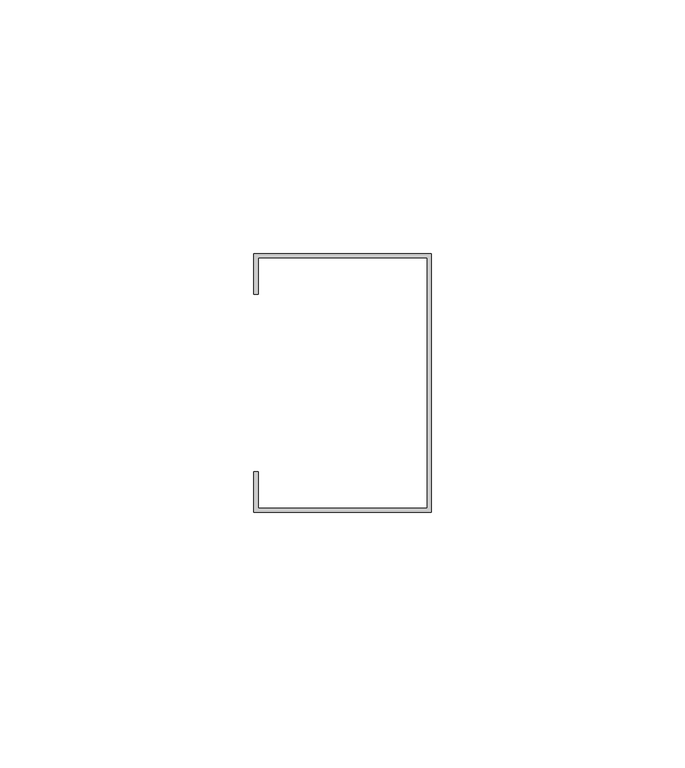
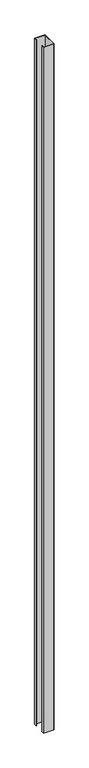
"""IFC4 building model written with IfcOpenShell, lengths in millimetres: proxy geometry."""

from ifc_helpers import new_model, si_unit, origin, origin_with_axes, place, context, project, spatial, polyline, outline, extrude, source, transform, mapped, element, save


def generic_models_65edb014(model_context):
    return source(origin(), model_context, "Body", "SweptSolid", [
        extrude(outline(polyline([(17.5, 25.5), (17.5, -25.5), (-17.5, -25.5), (-17.5, -17.4993684), (-16.6, -17.4993684), (-16.6, -24.681905), (16.7523882, -24.681905), (16.7523882, 24.7), (-16.6, 24.7), (-16.6, 17.4627765), (-17.5, 17.4627765), (-17.5, 25.5), (17.5, 25.5)])), origin_with_axes(), (0.0, 0.0, 1.0), 2400.0),
    ])


if __name__ == "__main__":
    model = new_model("IFC4")
    model_context = context("Model", 3, world=origin())
    ifc_project = project(units=[si_unit("LENGTHUNIT", "METRE", prefix="MILLI")], contexts=[model_context])
    site = spatial("IfcSite", under=ifc_project)
    building = spatial("IfcBuilding", under=site)
    placement = place(None, origin())
    generic_models_shape = generic_models_65edb014(model_context)
    element("IfcBuildingElementProxy", 1, Name="Generic Models", at=placement, inside=building, context=model_context, shape_type="MappedRepresentation", body=[
        mapped(generic_models_shape, transform((0.0, 0.0, 0.0), x_axis=(1.0, 0.0, 0.0), y_axis=(0.0, 1.0, 0.0), z_axis=(0.0, 0.0, 1.0))),
    ])
    save(model, "model.ifc")
